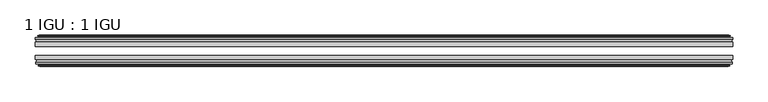
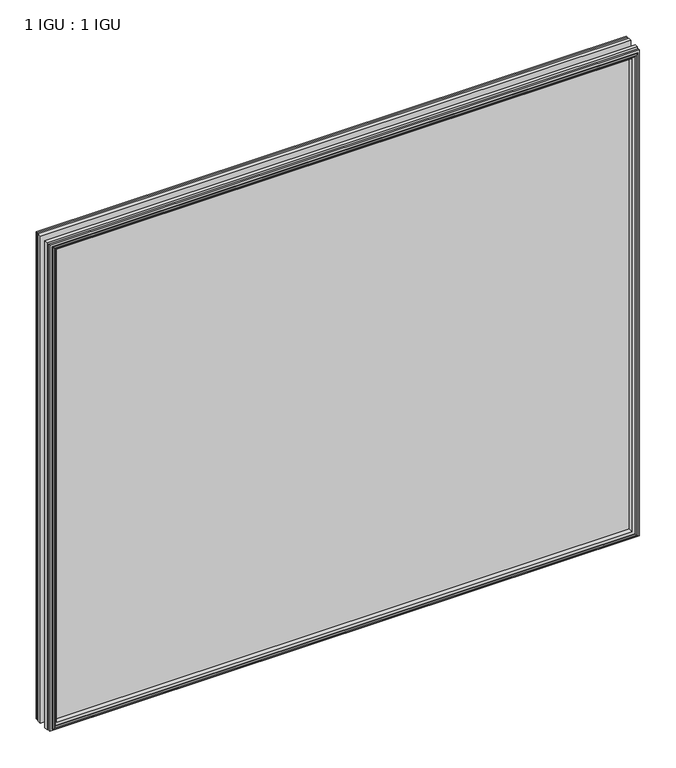
"""IFC4 building model written with IfcOpenShell, lengths in millimetres: plate geometry, 1 IGU : 1 IGU."""

import ifcopenshell
import ifcopenshell.guid

model = None  # the IFC model being written
_history = None  # IfcOwnerHistory: only IFC2X3 demands one
_inside = {}  # id of a spatial element -> (the spatial element, [elements in it])
_under = {}  # id of a project, library or spatial element -> (it, [spatial elements below it])
_declared = {}  # id of a project -> (the project, [libraries it declares])
_typed = {}  # id of a type object -> (the type object, [elements of that type])
_made_of = {}  # id of a material, layer set ... -> (it, [elements and type objects made of it])


def new_model(schema):
    """Start an empty IFC model of exactly this schema.

    Asked for "IFC4X3", IfcOpenShell would pick the latest addendum, in which some entities
    have other attributes; the version numbers below select the first issue.
    IFC2X3 requires an IfcOwnerHistory on every rooted entity: one is made here for all.
    """
    global model, _history
    if schema == "IFC4X3":
        model = ifcopenshell.file(schema_version=(4, 3, 0, 0))
    else:
        model = ifcopenshell.file(schema=schema)
    _inside.clear()
    _under.clear()
    _declared.clear()
    _typed.clear()
    _made_of.clear()
    _history = None
    if model.schema == "IFC2X3":
        org = make("IfcOrganization", Name="unknown")
        user = make(
            "IfcPersonAndOrganization",
            ThePerson=make("IfcPerson", FamilyName="unknown"),
            TheOrganization=org,
        )
        app = make(
            "IfcApplication",
            ApplicationDeveloper=org,
            Version="unknown",
            ApplicationFullName="unknown",
            ApplicationIdentifier="unknown",
        )
        _history = make(
            "IfcOwnerHistory",
            OwningUser=user,
            OwningApplication=app,
            ChangeAction="ADDED",
            CreationDate=0,
        )
    return model


def make(cls, **values):
    """One entity of the class cls with the attributes given. An attribute that is None is left unset."""
    return model.create_entity(
        cls, **{name: value for name, value in values.items() if value is not None}
    )


def rooted(cls, **values):
    """An entity with a GlobalId (a new one), such as an element, a storey or a relation."""
    return make(cls, GlobalId=ifcopenshell.guid.new(), OwnerHistory=_history, **values)


def si_unit(unit_type, name, prefix=None):
    """IfcSIUnit, for example si_unit("LENGTHUNIT", "METRE", prefix="MILLI")."""
    return make("IfcSIUnit", UnitType=unit_type, Prefix=prefix, Name=name)


def assignment(units):
    """IfcUnitAssignment: the units of a project."""
    return None if units is None else make("IfcUnitAssignment", Units=units)


def point(xyz):
    """IfcCartesianPoint."""
    return None if xyz is None else make("IfcCartesianPoint", Coordinates=xyz)


def direction(xyz):
    """IfcDirection."""
    return None if xyz is None else make("IfcDirection", DirectionRatios=xyz)


def frame(location, z_axis=None, x_axis=None):
    """IfcAxis2Placement3D, a coordinate frame: its origin and axes. An axis left out is left unset."""
    return make(
        "IfcAxis2Placement3D",
        Location=point(location),
        Axis=direction(z_axis),
        RefDirection=direction(x_axis),
    )


def origin():
    """The frame at (0, 0, 0) with its axes left unset."""
    return frame((0.0, 0.0, 0.0))


def place(relative_to, where):
    """IfcLocalPlacement: puts the frame where relative to a parent placement (None: the world)."""
    return make(
        "IfcLocalPlacement", PlacementRelTo=relative_to, RelativePlacement=where
    )


def context(
    kind, dimensions, precision=None, world=None, true_north=None, identifier=None
):
    """IfcGeometricRepresentationContext, for example the 3D "Model" context."""
    return make(
        "IfcGeometricRepresentationContext",
        ContextIdentifier=identifier,
        ContextType=kind,
        CoordinateSpaceDimension=dimensions,
        Precision=precision,
        WorldCoordinateSystem=world,
        TrueNorth=true_north,
    )


def project(units=None, contexts=None):
    """IfcProject with its units and contexts."""
    return rooted(
        "IfcProject",
        Name="project",
        RepresentationContexts=contexts,
        UnitsInContext=assignment(units),
    )


def spatial(cls, under=None, at=None, **own):
    """A site, building, storey or space (cls), placed at a placement, below another one or the project."""
    s = rooted(cls, ObjectPlacement=at, **own)
    if under is not None:
        _under.setdefault(under.id(), (under, []))[1].append(s)
    return s


def polyline(points):
    """IfcPolyline through the points."""
    return make("IfcPolyline", Points=[point(p) for p in points])


def outline(outer, holes=None, kind="AREA"):
    """IfcArbitraryClosedProfileDef: a profile drawn as a closed curve; with holes, ...WithVoids."""
    if holes is None:
        return make("IfcArbitraryClosedProfileDef", ProfileType=kind, OuterCurve=outer)
    return make(
        "IfcArbitraryProfileDefWithVoids",
        ProfileType=kind,
        OuterCurve=outer,
        InnerCurves=holes,
    )


def extrude(swept, where, along, depth):
    """IfcExtrudedAreaSolid: the profile swept, set in the frame where, extruded along a direction by depth."""
    return make(
        "IfcExtrudedAreaSolid",
        SweptArea=swept,
        Position=where,
        ExtrudedDirection=direction(along),
        Depth=depth,
    )


def faces_of(points, faces, orient=None, outer=None):
    """IfcFace entities. A face is a list of loops; a loop is a list of indices into points, from 0.

    orient and outer hold one flag for each loop. By default every Orientation is true, the
    first loop of a face is its IfcFaceOuterBound and the others are IfcFaceBound.
    """
    made = []
    for i, loops in enumerate(faces):
        bounds = []
        for j, loop in enumerate(loops):
            is_outer = j == 0 if outer is None else outer[i][j]
            bounds.append(
                make(
                    "IfcFaceOuterBound" if is_outer else "IfcFaceBound",
                    Bound=make("IfcPolyLoop", Polygon=[points[k] for k in loop]),
                    Orientation=True if orient is None else orient[i][j],
                )
            )
        made.append(make("IfcFace", Bounds=bounds))
    return made


def faceted_brep(points, faces, orient=None, outer=None, voids=None):
    """IfcFacetedBrep: a solid bounded by flat faces; with voids (closed shells), ...WithVoids."""
    shared = [point(p) for p in points]
    hull = make("IfcClosedShell", CfsFaces=faces_of(shared, faces, orient, outer))
    if voids is None:
        return make("IfcFacetedBrep", Outer=hull)
    return make(
        "IfcFacetedBrepWithVoids",
        Outer=hull,
        Voids=[
            make(cls, CfsFaces=faces_of(shared, fs, o, b)) for cls, fs, o, b in voids
        ],
    )


def shape(context_of_items, identifier, shape_type, items):
    """IfcShapeRepresentation: the items that make up one representation, for example the "Body"."""
    return make(
        "IfcShapeRepresentation",
        ContextOfItems=context_of_items,
        RepresentationIdentifier=identifier,
        RepresentationType=shape_type,
        Items=items,
    )


def source(mapping_origin, context_of_items, identifier, shape_type, items):
    """IfcRepresentationMap: a shape defined once, which mapped items show again and again."""
    return make(
        "IfcRepresentationMap",
        MappingOrigin=mapping_origin,
        MappedRepresentation=shape(context_of_items, identifier, shape_type, items),
    )


def transform(
    local_origin,
    x_axis=None,
    y_axis=None,
    z_axis=None,
    scale=None,
    scale2=None,
    scale3=None,
    uniform=True,
):
    """IfcCartesianTransformationOperator3D, or its non-uniform kind. x_axis, y_axis, z_axis: its Axis1, 2, 3."""
    if uniform:
        return make(
            "IfcCartesianTransformationOperator3D",
            Axis1=direction(x_axis),
            Axis2=direction(y_axis),
            LocalOrigin=point(local_origin),
            Scale=scale,
            Axis3=direction(z_axis),
        )
    return make(
        "IfcCartesianTransformationOperator3DnonUniform",
        Axis1=direction(x_axis),
        Axis2=direction(y_axis),
        LocalOrigin=point(local_origin),
        Scale=scale,
        Axis3=direction(z_axis),
        Scale2=scale2,
        Scale3=scale3,
    )


def mapped(mapping_source, mapping_target):
    """IfcMappedItem: shows the shape of a source again, moved by a transform."""
    return make(
        "IfcMappedItem", MappingSource=mapping_source, MappingTarget=mapping_target
    )


def made_of(thing, what):
    """Note that an element or type object is made of a material, layer set ...; save() writes the relation."""
    if what is not None:
        _made_of.setdefault(what.id(), (what, []))[1].append(thing)
    return thing


def element(
    cls,
    number,
    at=None,
    inside=None,
    cuts=None,
    type_object=None,
    material=None,
    context=None,
    identifier="Body",
    shape_type=None,
    held_by="IfcProductDefinitionShape",
    body=None,
    shapes=None,
    **own,
):
    """One element of the class cls, such as IfcWall. Its Tag is "e" and its number.

    at: its placement. inside: the storey or other place that contains it. cuts: it is an
    opening in that element (IfcRelVoidsElement). A single representation is given by context,
    identifier, shape_type and body (its items); several are given by shapes. held_by: the class
    of the entity that holds the representations. save() writes the other relations.
    """
    e = rooted(cls, Tag="e%d" % number, ObjectPlacement=at, **own)
    if body is not None:
        shapes = [shape(context, identifier, shape_type, body)]
    if shapes is not None:
        e.Representation = make(held_by, Representations=shapes)
    if inside is not None:
        _inside.setdefault(inside.id(), (inside, []))[1].append(e)
    if cuts is not None:
        rooted(
            "IfcRelVoidsElement", RelatingBuildingElement=cuts, RelatedOpeningElement=e
        )
    if type_object is not None:
        _typed.setdefault(type_object.id(), (type_object, []))[1].append(e)
    return made_of(e, material)


def aggregate(whole, parts):
    """IfcRelAggregates: a whole, such as a stair, and the parts it consists of."""
    return rooted("IfcRelAggregates", RelatingObject=whole, RelatedObjects=parts)


def save(model, path):
    """Write the relations noted so far, then the file.

    IfcRelAggregates (storeys below a building ...), IfcRelContainedInSpatialStructure (elements
    in a storey), IfcRelDefinesByType, IfcRelAssociatesMaterial and IfcRelDeclares: one each for
    every whole, place, type object, material and project.
    """
    for whole, parts in _under.values():
        aggregate(whole, parts)
    for where, things in _inside.values():
        rooted(
            "IfcRelContainedInSpatialStructure",
            RelatedElements=things,
            RelatingStructure=where,
        )
    for kind, things in _typed.values():
        rooted("IfcRelDefinesByType", RelatedObjects=things, RelatingType=kind)
    for what, things in _made_of.values():
        rooted("IfcRelAssociatesMaterial", RelatedObjects=things, RelatingMaterial=what)
    for by, libraries in _declared.values():
        rooted("IfcRelDeclares", RelatingContext=by, RelatedDefinitions=libraries)
    model.write(path)


def plate_1_igu_1_igu_4b1e4899(model_context):
    return source(origin(), model_context, "Body", "SolidModel", [
        extrude(outline(polyline([(495.3, -25.8960937), (495.3, -32.2460938), (-495.3, -32.2460938), (-495.3, -25.8960937), (495.3, -25.8960937)])), frame((0.0, 0.0, -12.7), z_axis=(0.0, 0.0, 1.0), x_axis=(1.0, 0.0, 0.0)), (0.0, 0.0, 1.0), 863.6),
        extrude(outline(polyline([(-495.3, -51.2960938), (-495.3, -45.2686737), (495.3, -45.2686737), (495.3, -51.2960938), (-495.3, -51.2960938)])), frame((0.0, 0.0, -12.7), z_axis=(0.0, 0.0, 1.0), x_axis=(1.0, 0.0, 0.0)), (0.0, 0.0, 1.0), 863.6),
        faceted_brep([(-489.712, -60.0262907, 845.312), (-490.093, -57.6460937, 845.693), (-490.093, -57.6460937, -7.493), (-489.712, -60.0262907, -7.112), (-491.127529, -59.5663575, 846.727529), (-491.127529, -59.5663575, -8.5275291), (-491.127529, -60.3675717, 846.727529), (-491.127529, -60.3675717, -8.5275291), (-488.95, -61.0750937, 844.55), (-488.95, -61.0750937, -6.35), (-486.7724709, -60.3675717, 842.3724709), (-486.7724709, -60.3675717, -4.1724709), (-486.7724709, -59.5663575, 842.3724709), (-486.7724709, -59.5663575, -4.1724709), (-488.188, -60.0262907, 843.788), (-488.188, -60.0262907, -5.588), (-487.807, -57.6460937, 843.407), (-487.807, -57.6460937, -5.207), (-480.8822819, -51.2960937, 836.4822819), (-482.6, -57.6460937, 838.2), (-482.6, -57.6460937, 0.0), (-480.8822819, -51.2960937, 1.7177181), (-494.538, -54.6996937, 850.138), (-491.7036578, -51.2960937, 847.3036578), (-491.7036578, -51.2960937, -9.1036578), (-494.538, -54.6996937, -11.938), (-494.538, -57.6460937, 850.138), (-494.538, -57.6460937, -11.938), (490.093, -57.6460938, -7.493), (489.712, -60.0262907, -7.112), (491.127529, -59.5663575, -8.5275291), (491.127529, -60.3675717, -8.5275291), (488.95, -61.0750937, -6.35), (486.7724709, -60.3675717, -4.1724709), (486.7724709, -59.5663575, -4.1724709), (488.188, -60.0262907, -5.588), (487.807, -57.6460937, -5.207), (482.6, -57.6460937, 0.0), (480.8822819, -51.2960937, 1.7177181), (491.7036578, -51.2960937, -9.1036578), (494.538, -54.6996937, -11.938), (494.538, -57.6460938, -11.938), (490.093, -57.6460938, 845.693), (489.712, -60.0262907, 845.312), (491.127529, -59.5663575, 846.727529), (491.127529, -60.3675717, 846.727529), (488.95, -61.0750937, 844.55), (486.7724709, -60.3675717, 842.3724709), (486.7724709, -59.5663575, 842.3724709), (488.188, -60.0262907, 843.788), (487.807, -57.6460937, 843.407), (482.6, -57.6460937, 838.2), (480.8822819, -51.2960937, 836.4822819), (491.7036578, -51.2960937, 847.3036578), (494.538, -54.6996937, 850.138), (494.538, -57.6460938, 850.138)], [[[0, 1, 2, 3]], [[4, 0, 3, 5]], [[6, 4, 5, 7]], [[8, 6, 7, 9]], [[10, 8, 9, 11]], [[12, 10, 11, 13]], [[14, 12, 13, 15]], [[16, 14, 15, 17]], [[18, 19, 20, 21]], [[22, 23, 24, 25]], [[26, 22, 25, 27]], [[3, 2, 28, 29]], [[5, 3, 29, 30]], [[7, 5, 30, 31]], [[9, 7, 31, 32]], [[11, 9, 32, 33]], [[13, 11, 33, 34]], [[15, 13, 34, 35]], [[17, 15, 35, 36]], [[21, 20, 37, 38]], [[25, 24, 39, 40]], [[27, 25, 40, 41]], [[29, 28, 42, 43]], [[30, 29, 43, 44]], [[31, 30, 44, 45]], [[32, 31, 45, 46]], [[33, 32, 46, 47]], [[34, 33, 47, 48]], [[35, 34, 48, 49]], [[36, 35, 49, 50]], [[38, 37, 51, 52]], [[40, 39, 53, 54]], [[41, 40, 54, 55]], [[27, 41, 55, 26], [1, 42, 28, 2]], [[43, 42, 1, 0]], [[44, 43, 0, 4]], [[45, 44, 4, 6]], [[46, 45, 6, 8]], [[47, 46, 8, 10]], [[48, 47, 10, 12]], [[49, 48, 12, 14]], [[50, 49, 14, 16]], [[17, 36, 50, 16], [19, 51, 37, 20]], [[52, 51, 19, 18]], [[23, 53, 39, 24], [21, 38, 52, 18]], [[54, 53, 23, 22]], [[55, 54, 22, 26]]]),
        faceted_brep([(-492.2243578, -25.8960937, 847.8243578), (-495.0587, -22.4924937, 850.6587), (-495.0587, -22.4924937, -12.4587), (-492.2243578, -25.8960937, -9.6243578), (-483.1207, -19.5460937, 838.7207), (-481.4029819, -25.8960937, 837.0029819), (-481.4029819, -25.8960937, 1.1970181), (-483.1207, -19.5460937, -0.5207), (-488.7087, -17.1658968, 844.3087), (-488.3277, -19.5460937, 843.9277), (-488.3277, -19.5460937, -5.7277), (-488.7087, -17.1658968, -6.1087), (-487.2931709, -17.62583, 842.8931709), (-487.2931709, -17.62583, -4.6931709), (-487.2931709, -16.8246158, 842.8931709), (-487.2931709, -16.8246158, -4.6931709), (-489.4707, -16.1170937, 845.0707), (-489.4707, -16.1170937, -6.8707), (-491.648229, -16.8246158, 847.248229), (-491.648229, -16.8246158, -9.0482291), (-491.648229, -17.62583, 847.248229), (-491.648229, -17.62583, -9.0482291), (-490.2327, -17.1658968, 845.8327), (-490.2327, -17.1658968, -7.6327), (-490.6137, -19.5460937, 846.2137), (-490.6137, -19.5460937, -8.0137), (-495.0587, -19.5460937, 850.6587), (-495.0587, -19.5460937, -12.4587), (495.0587, -22.4924937, -12.4587), (492.2243578, -25.8960937, -9.6243578), (481.4029819, -25.8960937, 1.1970181), (483.1207, -19.5460937, -0.5207), (488.3277, -19.5460937, -5.7277), (488.7087, -17.1658968, -6.1087), (487.2931709, -17.62583, -4.6931709), (487.2931709, -16.8246158, -4.6931709), (489.4707, -16.1170937, -6.8707), (491.648229, -16.8246158, -9.0482291), (491.648229, -17.62583, -9.0482291), (490.2327, -17.1658968, -7.6327), (490.6137, -19.5460937, -8.0137), (495.0587, -19.5460937, -12.4587), (495.0587, -22.4924937, 850.6587), (492.2243578, -25.8960937, 847.8243578), (481.4029819, -25.8960937, 837.0029819), (483.1207, -19.5460937, 838.7207), (488.3277, -19.5460937, 843.9277), (488.7087, -17.1658968, 844.3087), (487.2931709, -17.62583, 842.8931709), (487.2931709, -16.8246158, 842.8931709), (489.4707, -16.1170937, 845.0707), (491.648229, -16.8246158, 847.248229), (491.648229, -17.62583, 847.248229), (490.2327, -17.1658968, 845.8327), (490.6137, -19.5460937, 846.2137), (495.0587, -19.5460937, 850.6587)], [[[0, 1, 2, 3]], [[4, 5, 6, 7]], [[8, 9, 10, 11]], [[12, 8, 11, 13]], [[14, 12, 13, 15]], [[16, 14, 15, 17]], [[18, 16, 17, 19]], [[20, 18, 19, 21]], [[22, 20, 21, 23]], [[24, 22, 23, 25]], [[1, 26, 27, 2]], [[3, 2, 28, 29]], [[7, 6, 30, 31]], [[11, 10, 32, 33]], [[13, 11, 33, 34]], [[15, 13, 34, 35]], [[17, 15, 35, 36]], [[19, 17, 36, 37]], [[21, 19, 37, 38]], [[23, 21, 38, 39]], [[25, 23, 39, 40]], [[2, 27, 41, 28]], [[29, 28, 42, 43]], [[31, 30, 44, 45]], [[33, 32, 46, 47]], [[34, 33, 47, 48]], [[35, 34, 48, 49]], [[36, 35, 49, 50]], [[37, 36, 50, 51]], [[38, 37, 51, 52]], [[39, 38, 52, 53]], [[40, 39, 53, 54]], [[28, 41, 55, 42]], [[43, 42, 1, 0]], [[3, 29, 43, 0], [5, 44, 30, 6]], [[45, 44, 5, 4]], [[9, 46, 32, 10], [7, 31, 45, 4]], [[47, 46, 9, 8]], [[48, 47, 8, 12]], [[49, 48, 12, 14]], [[50, 49, 14, 16]], [[51, 50, 16, 18]], [[52, 51, 18, 20]], [[53, 52, 20, 22]], [[54, 53, 22, 24]], [[26, 55, 41, 27], [25, 40, 54, 24]], [[42, 55, 26, 1]]]),
    ])


if __name__ == "__main__":
    model = new_model("IFC4")
    model_context = context("Model", 3, world=origin())
    ifc_project = project(units=[si_unit("LENGTHUNIT", "METRE", prefix="MILLI")], contexts=[model_context])
    site = spatial("IfcSite", under=ifc_project)
    building = spatial("IfcBuilding", under=site)
    placement = place(None, origin())
    plate_1_igu_1_igu_shape = plate_1_igu_1_igu_4b1e4899(model_context)
    element("IfcPlate", 1, ObjectType="1 IGU : 1 IGU", at=placement, inside=building, context=model_context, shape_type="MappedRepresentation", body=[
        mapped(plate_1_igu_1_igu_shape, transform((0.0, 0.0, 0.0), x_axis=(1.0, 0.0, 0.0), y_axis=(0.0, 1.0, 0.0), z_axis=(0.0, 0.0, 1.0))),
    ])
    save(model, "model.ifc")
